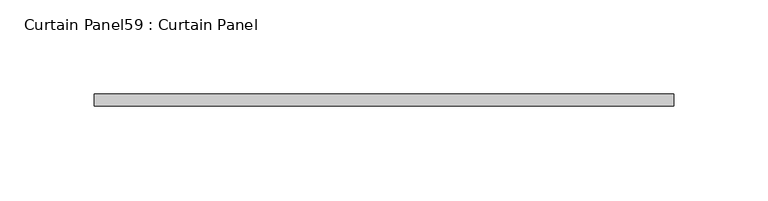
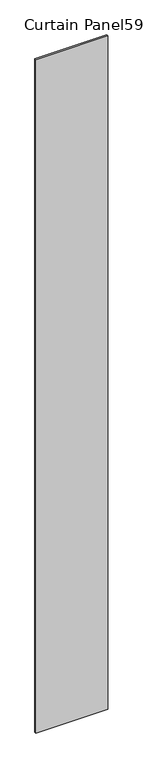
"""IFC4 building model written with IfcOpenShell, lengths in millimetres: plate geometry, Curtain Panel59 : Curtain Panel."""

from ifc_helpers import new_model, si_unit, origin, origin_with_axes, place, context, project, spatial, polyline, outline, extrude, source, transform, mapped, element, save


def curtain_panel59_curtain_panel_eae64c60(model_context):
    return source(origin(), model_context, "Body", "SweptSolid", [
        extrude(outline(polyline([(160043.3452785, 2237.0792941), (160351.3202785, 2237.0792941), (160351.3202785, 2230.7292941), (160043.3452785, 2230.7292941), (160043.3452785, 2237.0792941)])), origin_with_axes(), (0.0, 0.0, 1.0), 3048.0),
    ])


if __name__ == "__main__":
    model = new_model("IFC4")
    model_context = context("Model", 3, world=origin())
    ifc_project = project(units=[si_unit("LENGTHUNIT", "METRE", prefix="MILLI")], contexts=[model_context])
    site = spatial("IfcSite", under=ifc_project)
    building = spatial("IfcBuilding", under=site)
    placement = place(None, origin())
    curtain_panel59_curtain_panel_shape = curtain_panel59_curtain_panel_eae64c60(model_context)
    element("IfcPlate", 1, ObjectType="Curtain Panel59 : Curtain Panel", at=placement, inside=building, context=model_context, shape_type="MappedRepresentation", body=[
        mapped(curtain_panel59_curtain_panel_shape, transform((0.0, 0.0, 0.0), x_axis=(1.0, 0.0, 0.0), y_axis=(0.0, 1.0, 0.0), z_axis=(0.0, 0.0, 1.0))),
    ])
    save(model, "model.ifc")
